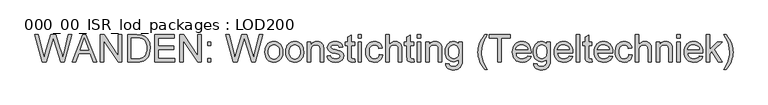
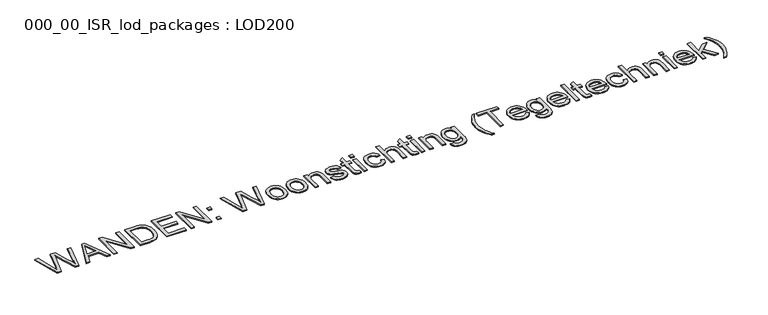
"""IFC4 building model written with IfcOpenShell, lengths in millimetres: proxy geometry, 000_00_ISR_lod_packages : LOD200."""

from ifc_helpers import new_model, si_unit, origin, origin_with_axes, place, context, project, spatial, polyline, outline, extrude, source, transform, mapped, element, save


def proxy_000_00_isr_lod_packages_lod200_f74cafc8(model_context):
    return source(origin(), model_context, "Body", "SweptSolid", [
        extrude(outline(polyline([(725.9109848, 500.0), (512.2424242, 1283.5151515), (613.2424242, 1283.5151515), (737.1969697, 768.5681818), (775.4545455, 609.6079545), (816.3901515, 750.2045455), (971.7159091, 1283.5151515), (1117.2859848, 1283.5151515), (1230.1458333, 896.9223485), (1278.4938447, 753.4564394), (1314.1212121, 609.6079545), (1351.2310606, 763.9772727), (1476.3333333, 1283.5151515), (1577.3333333, 1283.5151515), (1363.4734848, 500.0), (1258.8390152, 500.0), (1070.9943182, 1104.469697), (1044.7878788, 1188.8276515), (1015.3295455, 1087.2537879), (844.1268939, 500.0), (725.9109848, 500.0)])), origin_with_axes(), (0.0, 0.0, 1.0), 25.0),
        extrude(outline(polyline([(1584.0284091, 500.0), (1896.7840909, 1283.5151515), (1980.1856061, 1283.5151515), (2292.9412879, 500.0), (2189.4545455, 500.0), (2099.7405303, 744.8484848), (1777.0378788, 744.8484848), (1687.5151515, 500.0), (1584.0284091, 500.0)]), holes=[polyline([(1813.0, 842.7878788), (2063.969697, 842.7878788), (1993.3844697, 1035.4147727), (1938.4848485, 1185.5757576), (1889.7064394, 1052.2481061), (1813.0, 842.7878788)])]), origin_with_axes(), (0.0, 0.0, 1.0), 25.0),
        extrude(outline(polyline([(2397.5757576, 500.0), (2397.5757576, 1283.5151515), (2502.4015152, 1283.5151515), (2911.7575758, 662.7859848), (2911.7575758, 1283.5151515), (3009.6969697, 1283.5151515), (3009.6969697, 500.0), (2904.8712121, 500.0), (2495.5151515, 1120.9204545), (2495.5151515, 500.0), (2397.5757576, 500.0)])), origin_with_axes(), (0.0, 0.0, 1.0), 25.0),
        extrude(outline(polyline([(3181.0909091, 500.0), (3181.0909091, 1283.5151515), (3451.3806818, 1283.5151515), (3532.1519886, 1280.6936553), (3591.2121212, 1272.2291667), (3623.6593277, 1262.9158381), (3653.6676136, 1250.4701705), (3681.2369792, 1234.8921638), (3706.3674242, 1216.1818182), (3735.4073153, 1188.1581439), (3760.5497159, 1156.5), (3781.7946259, 1121.2073864), (3799.1420455, 1082.280303), (3812.6158854, 1040.0774148), (3822.2400568, 994.9573864), (3828.0145597, 946.9202178), (3829.9393939, 895.9659091), (3824.7267992, 811.8709754), (3809.0890152, 737.8664773), (3785.2736742, 674.8610322), (3755.5284091, 623.7632576), (3721.2878788, 583.4254261), (3683.9867424, 552.6998106), (3641.1621686, 529.912642), (3590.3513258, 513.3901515), (3531.4585701, 503.3475379), (3464.3882576, 500.0), (3181.0909091, 500.0)]), holes=[polyline([(3279.030303, 597.9393939), (3452.3371212, 597.9393939), (3524.0222538, 601.4782197), (3578.3958333, 612.094697), (3619.4270833, 629.1671402), (3651.0852273, 652.0738636), (3669.1559541, 671.7107599), (3685.1105587, 694.4680398), (3698.9490412, 720.3457031), (3710.6714015, 749.34375), (3720.0026634, 781.5219579), (3726.6678504, 816.9401042), (3732.0, 897.4962121), (3729.3877249, 954.3565341), (3721.5508996, 1004.2348485), (3708.4895241, 1047.1311553), (3690.2035985, 1083.0454545), (3668.1756037, 1112.7907197), (3643.8880208, 1137.1799242), (3617.3408499, 1156.2130682), (3588.5340909, 1169.8901515), (3563.6427557, 1176.7526042), (3532.1998106, 1181.6543561), (3449.6590909, 1185.5757576), (3279.030303, 1185.5757576), (3279.030303, 597.9393939)])]), origin_with_axes(), (0.0, 0.0, 1.0), 25.0),
        extrude(outline(polyline([(3964.6060606, 500.0), (3964.6060606, 1283.5151515), (4527.7575758, 1283.5151515), (4527.7575758, 1185.5757576), (4062.5454545, 1185.5757576), (4062.5454545, 952.969697), (4503.2727273, 952.969697), (4503.2727273, 855.030303), (4062.5454545, 855.030303), (4062.5454545, 597.9393939), (4540.0, 597.9393939), (4540.0, 500.0), (3964.6060606, 500.0)])), origin_with_axes(), (0.0, 0.0, 1.0), 25.0),
        extrude(outline(polyline([(4686.9090909, 500.0), (4686.9090909, 1283.5151515), (4791.7348485, 1283.5151515), (5201.0909091, 662.7859848), (5201.0909091, 1283.5151515), (5299.030303, 1283.5151515), (5299.030303, 500.0), (5194.2045455, 500.0), (4784.8484848, 1120.9204545), (4784.8484848, 500.0), (4686.9090909, 500.0)])), origin_with_axes(), (0.0, 0.0, 1.0), 25.0),
        extrude(outline(polyline([(5482.6666667, 500.0), (5482.6666667, 597.9393939), (5580.6060606, 597.9393939), (5580.6060606, 500.0), (5482.6666667, 500.0)])), origin_with_axes(), (0.0, 0.0, 1.0), 25.0),
        extrude(outline(polyline([(5482.6666667, 977.4545455), (5482.6666667, 1075.3939394), (5580.6060606, 1075.3939394), (5580.6060606, 977.4545455), (5482.6666667, 977.4545455)])), origin_with_axes(), (0.0, 0.0, 1.0), 25.0),
        extrude(outline(polyline([(6222.7594697, 500.0), (6009.0909091, 1283.5151515), (6110.0909091, 1283.5151515), (6234.0454545, 768.5681818), (6272.3030303, 609.6079545), (6313.2386364, 750.2045455), (6468.5643939, 1283.5151515), (6614.1344697, 1283.5151515), (6726.9943182, 896.9223485), (6775.3423295, 753.4564394), (6810.969697, 609.6079545), (6848.0795455, 763.9772727), (6973.1818182, 1283.5151515), (7074.1818182, 1283.5151515), (6860.3219697, 500.0), (6755.6875, 500.0), (6567.842803, 1104.469697), (6541.6363636, 1188.8276515), (6512.1780303, 1087.2537879), (6340.9753788, 500.0), (6222.7594697, 500.0)])), origin_with_axes(), (0.0, 0.0, 1.0), 25.0),
        extrude(outline(polyline([(7135.3939394, 787.6969697), (7140.6902225, 862.215554), (7147.3105765, 895.6102332), (7156.579072, 926.4285038), (7168.495709, 954.6703658), (7183.0604877, 980.3358191), (7200.2734079, 1003.4248639), (7220.1344697, 1023.9375), (7257.459517, 1051.8057528), (7298.6581439, 1071.7116477), (7343.7303504, 1083.6551847), (7392.6761364, 1087.6363636), (7446.7089844, 1082.7884115), (7495.5651042, 1068.2445549), (7539.2444957, 1044.004794), (7577.7471591, 1010.0691288), (7609.1721709, 967.5852865), (7631.618608, 917.7009943), (7645.0864702, 860.4162524), (7649.5757576, 795.7310606), (7647.5911458, 743.3062263), (7641.6373106, 696.7874053), (7631.7142519, 656.1745975), (7617.8219697, 621.467803), (7600.1338187, 591.4894058), (7578.8231534, 565.0617898), (7553.889974, 542.184955), (7525.3342803, 522.8589015), (7494.2679332, 507.5020715), (7461.8027936, 496.5329072), (7427.9388613, 489.9514086), (7392.6761364, 487.7575758), (7337.8542259, 492.5875947), (7288.5437973, 507.0776515), (7244.7448509, 531.2277462), (7206.4573864, 565.0378788), (7175.3671283, 607.9341856), (7153.1598011, 659.342803), (7139.8354048, 719.2637311), (7135.3939394, 787.6969697)]), holes=[polyline([(7233.3333333, 787.8882576), (7236.166785, 740.3831084), (7244.6671402, 699.2502367), (7258.8343987, 664.4896425), (7278.6685606, 636.1013258), (7302.7947443, 614.04942), (7329.8380682, 598.2980587), (7359.7985322, 588.847242), (7392.6761364, 585.6969697), (7425.3863636, 588.8651752), (7455.2272727, 598.3697917), (7482.1988636, 614.2108191), (7506.3011364, 636.3882576), (7526.1352983, 665.0575284), (7540.3025568, 700.374053), (7548.8029119, 742.3378314), (7551.6363636, 790.9488636), (7548.7849787, 836.9476207), (7540.2308239, 877.0044981), (7525.9738991, 911.1194957), (7506.0142045, 939.2926136), (7481.8222656, 961.3445194), (7454.868608, 977.0958807), (7425.1532315, 986.5466974), (7392.6761364, 989.6969697), (7359.7985322, 986.5586529), (7329.8380682, 977.1437027), (7302.7947443, 961.4521188), (7278.6685606, 939.4839015), (7258.8343987, 911.1792732), (7244.6671402, 876.4784564), (7236.166785, 835.3814512), (7233.3333333, 787.8882576)])]), origin_with_axes(), (0.0, 0.0, 1.0), 25.0),
        extrude(outline(polyline([(7735.2727273, 787.6969697), (7740.5690104, 862.215554), (7747.1893643, 895.6102332), (7756.4578598, 926.4285038), (7768.3744969, 954.6703658), (7782.9392756, 980.3358191), (7800.1521958, 1003.4248639), (7820.0132576, 1023.9375), (7857.3383049, 1051.8057528), (7898.5369318, 1071.7116477), (7943.6091383, 1083.6551847), (7992.5549242, 1087.6363636), (8046.5877723, 1082.7884115), (8095.443892, 1068.2445549), (8139.1232836, 1044.004794), (8177.625947, 1010.0691288), (8209.0509588, 967.5852865), (8231.4973958, 917.7009943), (8244.965258, 860.4162524), (8249.4545455, 795.7310606), (8247.4699337, 743.3062263), (8241.5160985, 696.7874053), (8231.5930398, 656.1745975), (8217.7007576, 621.467803), (8200.0126065, 591.4894058), (8178.7019413, 565.0617898), (8153.7687618, 542.184955), (8125.2130682, 522.8589015), (8094.1467211, 507.5020715), (8061.6815814, 496.5329072), (8027.8176491, 489.9514086), (7992.5549242, 487.7575758), (7937.7330137, 492.5875947), (7888.4225852, 507.0776515), (7844.6236387, 531.2277462), (7806.3361742, 565.0378788), (7775.2459162, 607.9341856), (7753.038589, 659.342803), (7739.7141927, 719.2637311), (7735.2727273, 787.6969697)]), holes=[polyline([(7833.2121212, 787.8882576), (7836.0455729, 740.3831084), (7844.545928, 699.2502367), (7858.7131866, 664.4896425), (7878.5473485, 636.1013258), (7902.6735322, 614.04942), (7929.7168561, 598.2980587), (7959.6773201, 588.847242), (7992.5549242, 585.6969697), (8025.2651515, 588.8651752), (8055.1060606, 598.3697917), (8082.0776515, 614.2108191), (8106.1799242, 636.3882576), (8126.0140862, 665.0575284), (8140.1813447, 700.374053), (8148.6816998, 742.3378314), (8151.5151515, 790.9488636), (8148.6637666, 836.9476207), (8140.1096117, 877.0044981), (8125.852687, 911.1194957), (8105.8929924, 939.2926136), (8081.7010535, 961.3445194), (8054.7473958, 977.0958807), (8025.0320194, 986.5466974), (7992.5549242, 989.6969697), (7959.6773201, 986.5586529), (7929.7168561, 977.1437027), (7902.6735322, 961.4521188), (7878.5473485, 939.4839015), (7858.7131866, 911.1792732), (7844.545928, 876.4784564), (7836.0455729, 835.3814512), (7833.2121212, 787.8882576)])]), origin_with_axes(), (0.0, 0.0, 1.0), 25.0),
        extrude(outline(polyline([(8359.6363636, 500.0), (8359.6363636, 1075.3939394), (8457.5757576, 1075.3939394), (8457.5757576, 995.0530303), (8491.601089, 1035.5582386), (8511.1782079, 1051.4709991), (8532.4649621, 1064.4905303), (8555.4613518, 1074.6168324), (8580.1673769, 1081.8499053), (8634.7083333, 1087.6363636), (8682.9846117, 1082.9737216), (8727.1960227, 1068.9857955), (8764.0667614, 1047.4180871), (8790.3210227, 1020.0160985), (8808.1347064, 986.8515625), (8819.6837121, 947.9962121), (8823.5572917, 910.8385417), (8824.8484848, 853.3087121), (8824.8484848, 500.0), (8726.9090909, 500.0), (8726.9090909, 840.1098485), (8724.0875947, 890.7533144), (8715.6231061, 926.7632576), (8700.009233, 952.5632102), (8675.7395833, 972.5767045), (8644.631392, 985.4169034), (8608.5018939, 989.6969697), (8578.7626065, 987.2939157), (8551.1394413, 980.0847538), (8525.6323982, 968.0694839), (8502.2414773, 951.2481061), (8482.7002249, 927.7077415), (8468.7421875, 895.5355114), (8460.3673651, 854.7314157), (8457.5757576, 805.2954545), (8457.5757576, 500.0), (8359.6363636, 500.0)])), origin_with_axes(), (0.0, 0.0, 1.0), 25.0),
        extrude(outline(polyline([(8922.7878788, 671.3939394), (9020.7272727, 683.6363636), (9026.6452415, 661.3035038), (9036.1737689, 641.7443182), (9049.3128551, 624.9588068), (9066.0625, 610.9469697), (9086.4705256, 599.9000947), (9110.5847538, 592.0094697), (9138.4051847, 587.2750947), (9169.9318182, 585.6969697), (9201.4225852, 587.1435843), (9228.561553, 591.483428), (9251.3487216, 598.7165009), (9269.7840909, 608.842803), (9284.0111269, 620.9178504), (9294.1732955, 633.9971591), (9300.2705966, 648.0807292), (9302.3030303, 663.1685606), (9300.2586411, 676.3913352), (9294.1254735, 688.1316288), (9283.9035275, 698.3894413), (9269.592803, 707.1647727), (9232.9133523, 719.5984848), (9168.7840909, 735.092803), (9079.4048295, 760.9405777), (9021.3011364, 783.0104167), (8983.976089, 807.0887784), (8969.1692116, 822.0510772), (8956.9327652, 838.9621212), (8940.5059186, 876.5980114), (8935.030303, 917.9640152), (8939.4299242, 955.9107481), (8952.6287879, 990.9403409), (8973.4313447, 1021.6659564), (9000.6420455, 1046.7007576), (9027.6853693, 1062.4580966), (9062.90625, 1075.6808712), (9103.6266572, 1084.6474905), (9147.1685606, 1087.6363636), (9210.9152462, 1082.8302557), (9266.3409091, 1068.4119318), (9310.9109848, 1045.7921402), (9328.1747159, 1031.9357244), (9342.0909091, 1016.3816288), (9362.75, 978.0044981), (9375.7575758, 928.4848485), (9277.8181818, 916.2424242), (9273.149562, 932.6035156), (9265.4562027, 947.0636837), (9254.7381037, 959.6229285), (9240.9952652, 970.28125), (9224.1679096, 978.7756274), (9204.1962595, 984.8430398), (9154.8200758, 989.6969697), (9098.5814394, 985.0582386), (9077.4919508, 979.2598248), (9061.0890152, 971.1420455), (9039.9995265, 951.0568182), (9034.7271544, 939.8664773), (9032.969697, 927.9109848), (9035.8868371, 912.8470644), (9044.6382576, 899.4090909), (9059.6065341, 887.4057765), (9081.1742424, 877.7935606), (9165.532197, 856.9431818), (9252.0660511, 831.358428), (9309.2850379, 810.842803), (9347.2556818, 788.796875), (9376.0445076, 758.6212121), (9386.6310961, 740.4608191), (9394.1929451, 720.2201705), (9398.7300545, 697.8992661), (9400.2424242, 673.4981061), (9398.4670336, 648.9893466), (9393.1408617, 625.1979167), (9384.2639086, 602.1238163), (9371.8361742, 579.7670455), (9356.060902, 559.0182884), (9337.1413352, 540.7682292), (9315.077474, 525.0168679), (9289.8693182, 511.7642045), (9262.2043087, 501.2613045), (9232.7698864, 493.759233), (9168.592803, 487.7575758), (9115.8810369, 490.6508049), (9069.8404356, 499.3304924), (9030.4709991, 513.7966383), (8997.7727273, 534.0492424), (8971.0641572, 559.992661), (8949.6638258, 591.53125), (8933.571733, 628.6650095), (8922.7878788, 671.3939394)])), origin_with_axes(), (0.0, 0.0, 1.0), 25.0),
        extrude(outline(polyline([(9718.5454545, 581.6799242), (9730.7878788, 497.1306818), (9692.0042614, 490.1008523), (9657.5246212, 487.7575758), (9610.515625, 491.8224432), (9575.4621212, 504.0170455), (9550.6903409, 522.8110795), (9534.5265152, 546.6742424), (9525.6316288, 587.6576705), (9522.6666667, 657.8125), (9522.6666667, 977.4545455), (9449.2121212, 977.4545455), (9449.2121212, 1075.3939394), (9522.6666667, 1075.3939394), (9522.6666667, 1215.2253788), (9620.6060606, 1272.8030303), (9620.6060606, 1075.3939394), (9718.5454545, 1075.3939394), (9718.5454545, 977.4545455), (9620.6060606, 977.4545455), (9620.6060606, 660.6818182), (9621.8972538, 628.4498106), (9625.7708333, 610.1818182), (9632.537642, 600.0674716), (9642.5085227, 592.2964015), (9656.6399148, 587.3468277), (9675.8882576, 585.6969697), (9718.5454545, 581.6799242)])), origin_with_axes(), (0.0, 0.0, 1.0), 25.0),
        extrude(outline(polyline([(9816.4848485, 500.0), (9816.4848485, 1075.3939394), (9914.4242424, 1075.3939394), (9914.4242424, 500.0), (9816.4848485, 500.0)])), origin_with_axes(), (0.0, 0.0, 1.0), 25.0),
        extrude(outline(polyline([(9816.4848485, 1185.5757576), (9816.4848485, 1283.5151515), (9914.4242424, 1283.5151515), (9914.4242424, 1185.5757576), (9816.4848485, 1185.5757576)])), origin_with_axes(), (0.0, 0.0, 1.0), 25.0),
        extrude(outline(polyline([(10428.6060606, 708.1212121), (10526.5454545, 695.8787879), (10515.8931108, 649.6648319), (10499.2391098, 608.7710701), (10476.5834517, 573.1975024), (10447.9261364, 542.9441288), (10414.4746686, 518.8000118), (10377.436553, 501.554214), (10336.8117898, 491.2067353), (10292.6003788, 487.7575758), (10237.6708688, 492.5696615), (10188.4202178, 507.0059186), (10144.8484257, 531.0663471), (10106.9554924, 564.750947), (10076.2836766, 607.4260772), (10054.3752367, 658.4580966), (10041.2301728, 717.8470052), (10036.8484848, 785.592803), (10038.7195194, 830.6231652), (10044.3326231, 872.7483428), (10053.6877959, 911.9683357), (10066.7850379, 948.2831439), (10083.7140152, 980.9634825), (10104.5643939, 1009.2800663), (10129.3361742, 1033.2328954), (10158.0293561, 1052.8219697), (10189.3467685, 1068.053267), (10221.9912405, 1078.9327652), (10255.9627723, 1085.460464), (10291.2613636, 1087.6363636), (10334.7136009, 1084.6474905), (10374.0172822, 1075.6808712), (10409.1724077, 1060.7365057), (10440.1789773, 1039.8143939), (10466.5109493, 1013.3927557), (10487.6422822, 981.9498106), (10503.5729759, 945.4855587), (10514.3030303, 904.0), (10416.3636364, 891.7575758), (10408.718099, 914.6344105), (10398.5977746, 934.4865057), (10386.0026634, 951.3138613), (10370.9327652, 965.1164773), (10353.7706558, 975.8704427), (10334.898911, 983.5518466), (10314.3175308, 988.1606889), (10292.0265152, 989.6969697), (10258.748402, 986.6722301), (10228.7341383, 977.5980114), (10201.983724, 962.4743134), (10178.4971591, 941.3011364), (10159.374349, 913.5883049), (10145.7151989, 878.8456439), (10137.5197088, 837.0731534), (10134.7878788, 788.2708333), (10137.4599313, 738.7332505), (10145.476089, 696.4765625), (10158.8363518, 661.5007694), (10177.5407197, 633.8058712), (10200.5610204, 612.7582268), (10226.8690814, 597.7241951), (10256.4649029, 588.703776), (10289.3484848, 585.6969697), (10315.8478338, 587.573982), (10340.0636837, 593.2050189), (10361.9960346, 602.5900805), (10381.6448864, 615.7291667), (10398.4602865, 632.7657434), (10411.8922822, 653.8432765), (10421.9408736, 678.9617661), (10428.6060606, 708.1212121)])), origin_with_axes(), (0.0, 0.0, 1.0), 25.0),
        extrude(outline(polyline([(10612.2424242, 500.0), (10612.2424242, 1283.5151515), (10710.1818182, 1283.5151515), (10710.1818182, 995.4356061), (10746.1558949, 1035.7734375), (10786.5535038, 1064.5861742), (10831.3746449, 1081.8738163), (10880.6193182, 1087.6363636), (10911.2373343, 1086.0642164), (10939.7750947, 1081.3477746), (10966.2325994, 1073.4870384), (10990.6098485, 1062.4820076), (11012.2851563, 1048.7033026), (11030.6368371, 1032.5215436), (11045.6648911, 1013.9367306), (11057.3693182, 992.9488636), (11066.1566051, 968.2607718), (11072.4332386, 938.5752841), (11077.4545455, 864.2121212), (11077.4545455, 500.0), (10979.5151515, 500.0), (10979.5151515, 854.0738636), (10977.5664063, 887.1427557), (10971.7201705, 915.3816288), (10961.9764441, 938.790483), (10948.3352273, 957.3693182), (10931.1193182, 971.5126657), (10910.6515152, 981.6150568), (10886.9318182, 987.6764915), (10859.9602273, 989.6969697), (10818.5703125, 984.2452652), (10779.7149621, 967.8901515), (10762.2718987, 956.0183475), (10747.5307765, 942.2097538), (10735.4915956, 926.4643703), (10726.1543561, 908.782197), (10714.1749527, 864.3555871), (10710.1818182, 805.6780303), (10710.1818182, 500.0), (10612.2424242, 500.0)])), origin_with_axes(), (0.0, 0.0, 1.0), 25.0),
        extrude(outline(polyline([(11420.2424242, 581.6799242), (11432.4848485, 497.1306818), (11393.7012311, 490.1008523), (11359.2215909, 487.7575758), (11312.2125947, 491.8224432), (11277.1590909, 504.0170455), (11252.3873106, 522.8110795), (11236.2234848, 546.6742424), (11227.3285985, 587.6576705), (11224.3636364, 657.8125), (11224.3636364, 977.4545455), (11150.9090909, 977.4545455), (11150.9090909, 1075.3939394), (11224.3636364, 1075.3939394), (11224.3636364, 1215.2253788), (11322.3030303, 1272.8030303), (11322.3030303, 1075.3939394), (11420.2424242, 1075.3939394), (11420.2424242, 977.4545455), (11322.3030303, 977.4545455), (11322.3030303, 660.6818182), (11323.5942235, 628.4498106), (11327.467803, 610.1818182), (11334.2346117, 600.0674716), (11344.2054924, 592.2964015), (11358.3368845, 587.3468277), (11377.5852273, 585.6969697), (11420.2424242, 581.6799242)])), origin_with_axes(), (0.0, 0.0, 1.0), 25.0),
        extrude(outline(polyline([(11518.1818182, 500.0), (11518.1818182, 1075.3939394), (11616.1212121, 1075.3939394), (11616.1212121, 500.0), (11518.1818182, 500.0)])), origin_with_axes(), (0.0, 0.0, 1.0), 25.0),
        extrude(outline(polyline([(11518.1818182, 1185.5757576), (11518.1818182, 1283.5151515), (11616.1212121, 1283.5151515), (11616.1212121, 1185.5757576), (11518.1818182, 1185.5757576)])), origin_with_axes(), (0.0, 0.0, 1.0), 25.0),
        extrude(outline(polyline([(11763.030303, 500.0), (11763.030303, 1075.3939394), (11860.969697, 1075.3939394), (11860.969697, 995.0530303), (11894.9950284, 1035.5582386), (11914.5721473, 1051.4709991), (11935.8589015, 1064.4905303), (11958.8552912, 1074.6168324), (11983.5613163, 1081.8499053), (12038.1022727, 1087.6363636), (12086.3785511, 1082.9737216), (12130.5899621, 1068.9857955), (12167.4607008, 1047.4180871), (12193.7149621, 1020.0160985), (12211.5286458, 986.8515625), (12223.0776515, 947.9962121), (12226.9512311, 910.8385417), (12228.2424242, 853.3087121), (12228.2424242, 500.0), (12130.3030303, 500.0), (12130.3030303, 840.1098485), (12127.4815341, 890.7533144), (12119.0170455, 926.7632576), (12103.4031723, 952.5632102), (12079.1335227, 972.5767045), (12048.0253314, 985.4169034), (12011.8958333, 989.6969697), (11982.1565459, 987.2939157), (11954.5333807, 980.0847538), (11929.0263376, 968.0694839), (11905.6354167, 951.2481061), (11886.0941643, 927.7077415), (11872.1361269, 895.5355114), (11863.7613045, 854.7314157), (11860.969697, 805.2954545), (11860.969697, 500.0), (11763.030303, 500.0)])), origin_with_axes(), (0.0, 0.0, 1.0), 25.0),
        extrude(outline(polyline([(12338.4242424, 451.030303), (12436.3636364, 438.7878788), (12440.5002367, 422.2892992), (12447.1714015, 408.1818182), (12456.3771307, 396.4654356), (12468.1174242, 387.1401515), (12487.1147017, 377.5996686), (12509.2921402, 370.7850379), (12563.1875, 365.3333333), (12593.7696496, 366.8755919), (12620.6695076, 371.5023674), (12643.8870739, 379.21366), (12663.4223485, 390.0094697), (12679.6818182, 403.5909091), (12693.0719697, 419.6590909), (12703.592803, 438.2140152), (12711.2443182, 459.2556818), (12716.5525568, 501.3868371), (12717.9393939, 573.4545455), (12685.3487216, 541.3181818), (12648.9801136, 518.3636364), (12608.8335701, 504.5909091), (12564.9090909, 500.0), (12511.2109967, 505.3441051), (12463.9330019, 521.3764205), (12423.0751065, 548.096946), (12388.6373106, 585.5056818), (12361.3130327, 630.3866004), (12341.7956913, 679.5236742), (12330.0852865, 732.9169034), (12326.1818182, 790.5662879), (12327.9332978, 830.8981416), (12333.1877367, 869.6399148), (12341.9451349, 906.7916075), (12354.2054924, 942.3532197), (12369.7834991, 975.1411577), (12388.4938447, 1003.9718277), (12410.3365294, 1028.8452296), (12435.311553, 1049.7613636), (12463.0184067, 1066.3316761), (12493.0565814, 1078.1676136), (12525.4260772, 1085.2691761), (12560.1268939, 1087.6363636), (12605.9283854, 1082.280303), (12647.4976326, 1066.2121212), (12684.8346354, 1039.4318182), (12717.9393939, 1001.9393939), (12717.9393939, 1075.3939394), (12815.8787879, 1075.3939394), (12815.8787879, 578.6193182), (12814.2050189, 516.3730469), (12809.1837121, 463.9183239), (12800.8148674, 421.2551491), (12789.0984848, 388.3835227), (12773.7536103, 361.8722183), (12754.4992898, 338.2900095), (12731.3355232, 317.6368963), (12704.2623106, 299.9128788), (12673.5546283, 285.6858428), (12639.4874527, 275.5236742), (12602.0607836, 269.4263731), (12561.2746212, 267.3939394), (12513.2912524, 270.2572798), (12470.149858, 278.8473011), (12431.850438, 293.1640033), (12398.3929924, 313.2073864), (12371.3676018, 339.0013613), (12352.3643466, 370.569839), (12341.3832268, 407.9128196), (12338.4242424, 451.030303)]), holes=[polyline([(12424.1212121, 797.2613636), (12426.7334872, 748.8356416), (12434.5703125, 707.4277936), (12447.631688, 673.0378196), (12465.9176136, 645.6657197), (12488.1488518, 624.7854522), (12513.0461648, 609.8709754), (12540.6095526, 600.9222893), (12570.8390152, 597.9393939), (12600.7695904, 600.9043561), (12628.2014678, 609.7992424), (12653.1346473, 624.624053), (12675.5691288, 645.3787879), (12694.1061198, 672.4818892), (12707.3468277, 706.3517992), (12715.2912524, 746.988518), (12717.9393939, 794.3920455), (12715.2135417, 839.8169389), (12707.0359848, 879.2999527), (12693.4067235, 912.8410866), (12674.3257576, 940.4403409), (12651.4070786, 961.990116), (12626.264678, 977.3828125), (12598.8985559, 986.6184304), (12569.3087121, 989.6969697), (12540.2150213, 986.6662524), (12513.3809186, 977.5741004), (12488.8064039, 962.4205137), (12466.4914773, 941.2054924), (12447.9544863, 914.0246804), (12434.7137784, 880.9737216), (12426.7693537, 842.052616), (12424.1212121, 797.2613636)])]), origin_with_axes(), (0.0, 0.0, 1.0), 25.0),
        extrude(outline(polyline([(13464.7272727, 279.6363636), (13425.1904593, 330.7939157), (13388.8338068, 386.1358902), (13355.6573153, 445.6622869), (13325.6609848, 509.3731061), (13300.8055161, 575.773911), (13283.0516098, 643.3702652), (13272.3992661, 712.1621686), (13268.8484848, 782.1496212), (13271.5026042, 843.6606297), (13279.4649621, 903.8565341), (13292.7355587, 962.7373343), (13311.3143939, 1020.3030303), (13339.553267, 1086.3212595), (13374.5350379, 1152.1960227), (13416.2597064, 1217.9273201), (13464.7272727, 1283.5151515), (13538.1818182, 1283.5151515), (13480.5563447, 1190.4057765), (13446.5549242, 1128.3806818), (13415.2793561, 1054.7348485), (13391.4640152, 978.0284091), (13372.9569129, 880.0411932), (13366.7878788, 781.5757576), (13369.4659091, 718.7914891), (13377.5, 656.0191761), (13390.8901515, 593.2588187), (13409.6363636, 530.5104167), (13433.7386364, 467.7739702), (13463.1969697, 405.0494792), (13498.0113636, 342.3369437), (13538.1818182, 279.6363636), (13464.7272727, 279.6363636)])), origin_with_axes(), (0.0, 0.0, 1.0), 25.0),
        extrude(outline(polyline([(13844.2424242, 500.0), (13844.2424242, 1185.5757576), (13587.1515152, 1185.5757576), (13587.1515152, 1283.5151515), (14199.2727273, 1283.5151515), (14199.2727273, 1185.5757576), (13942.1818182, 1185.5757576), (13942.1818182, 500.0), (13844.2424242, 500.0)])), origin_with_axes(), (0.0, 0.0, 1.0), 25.0),
        extrude(outline(polyline([(14700.0643939, 671.3939394), (14796.0909091, 659.1515152), (14781.3677202, 620.690696), (14761.491714, 586.796875), (14736.4628906, 557.4700521), (14706.28125, 532.7102273), (14671.2576349, 513.0434422), (14631.7028883, 498.9957386), (14587.6170099, 490.5671165), (14539.0, 487.7575758), (14478.230232, 492.6055279), (14424.0838068, 507.1493845), (14376.5607244, 531.3891454), (14335.6609848, 565.3248106), (14302.7714252, 608.0118963), (14279.2788826, 658.5059186), (14265.183357, 716.8068774), (14260.4848485, 782.9147727), (14265.231179, 851.2643229), (14279.4701705, 911.5080492), (14303.2018229, 963.6459517), (14336.4261364, 1007.6780303), (14377.2182765, 1042.6598011), (14423.6534091, 1067.6467803), (14475.7315341, 1082.6389678), (14533.4526515, 1087.6363636), (14589.3146899, 1082.6509233), (14639.8326231, 1067.6946023), (14685.0064512, 1042.7674006), (14724.8361742, 1007.8693182), (14757.3491359, 963.9328835), (14780.5726799, 911.890625), (14794.5068063, 851.7425426), (14799.1515152, 783.4886364), (14798.5776515, 757.0909091), (14358.4242424, 757.0909091), (14364.0971236, 718.0084044), (14375.3771307, 683.7798295), (14392.2642637, 654.4051847), (14414.7585227, 629.8844697), (14441.6165365, 610.5524384), (14471.5949337, 596.7438447), (14504.6937145, 588.4586884), (14540.9128788, 585.6969697), (14593.0388258, 590.8139205), (14636.9393939, 606.1647727), (14655.805161, 617.9170218), (14672.6145833, 632.7059659), (14687.367661, 650.5316051), (14700.0643939, 671.3939394)]), holes=[polyline([(14358.4242424, 855.030303), (14701.2121212, 855.030303), (14696.1788589, 882.7431345), (14687.9654356, 906.7736742), (14676.5718513, 927.1219223), (14661.9981061, 943.7878788), (14635.289536, 963.8731061), (14604.8986742, 978.219697), (14570.8255208, 986.8276515), (14533.0700758, 989.6969697), (14498.6322798, 987.4074929), (14467.0518466, 980.5390625), (14438.328776, 969.0916785), (14412.4630682, 953.0653409), (14390.7578717, 933.2012902), (14374.5163352, 910.240767), (14363.7384588, 884.1837713), (14358.4242424, 855.030303)])]), origin_with_axes(), (0.0, 0.0, 1.0), 25.0),
        extrude(outline(polyline([(14872.6060606, 451.030303), (14970.5454545, 438.7878788), (14974.6820549, 422.2892992), (14981.3532197, 408.1818182), (14990.5589489, 396.4654356), (15002.2992424, 387.1401515), (15021.2965199, 377.5996686), (15043.4739583, 370.7850379), (15097.3693182, 365.3333333), (15127.9514678, 366.8755919), (15154.8513258, 371.5023674), (15178.068892, 379.21366), (15197.6041667, 390.0094697), (15213.8636364, 403.5909091), (15227.2537879, 419.6590909), (15237.7746212, 438.2140152), (15245.4261364, 459.2556818), (15250.734375, 501.3868371), (15252.1212121, 573.4545455), (15219.5305398, 541.3181818), (15183.1619318, 518.3636364), (15143.0153883, 504.5909091), (15099.0909091, 500.0), (15045.3928149, 505.3441051), (14998.1148201, 521.3764205), (14957.2569247, 548.096946), (14922.8191288, 585.5056818), (14895.4948509, 630.3866004), (14875.9775095, 679.5236742), (14864.2671046, 732.9169034), (14860.3636364, 790.5662879), (14862.115116, 830.8981416), (14867.3695549, 869.6399148), (14876.1269531, 906.7916075), (14888.3873106, 942.3532197), (14903.9653172, 975.1411577), (14922.6756629, 1003.9718277), (14944.5183475, 1028.8452296), (14969.4933712, 1049.7613636), (14997.2002249, 1066.3316761), (15027.2383996, 1078.1676136), (15059.6078954, 1085.2691761), (15094.3087121, 1087.6363636), (15140.1102036, 1082.280303), (15181.6794508, 1066.2121212), (15219.0164536, 1039.4318182), (15252.1212121, 1001.9393939), (15252.1212121, 1075.3939394), (15350.0606061, 1075.3939394), (15350.0606061, 578.6193182), (15348.3868371, 516.3730469), (15343.3655303, 463.9183239), (15334.9966856, 421.2551491), (15323.280303, 388.3835227), (15307.9354285, 361.8722183), (15288.681108, 338.2900095), (15265.5173414, 317.6368963), (15238.4441288, 299.9128788), (15207.7364465, 285.6858428), (15173.6692708, 275.5236742), (15136.2426018, 269.4263731), (15095.4564394, 267.3939394), (15047.4730705, 270.2572798), (15004.3316761, 278.8473011), (14966.0322562, 293.1640033), (14932.5748106, 313.2073864), (14905.54942, 339.0013613), (14886.5461648, 370.569839), (14875.565045, 407.9128196), (14872.6060606, 451.030303)]), holes=[polyline([(14958.3030303, 797.2613636), (14960.9153054, 748.8356416), (14968.7521307, 707.4277936), (14981.8135062, 673.0378196), (15000.0994318, 645.6657197), (15022.33067, 624.7854522), (15047.227983, 609.8709754), (15074.7913707, 600.9222893), (15105.0208333, 597.9393939), (15134.9514086, 600.9043561), (15162.383286, 609.7992424), (15187.3164654, 624.624053), (15209.750947, 645.3787879), (15228.287938, 672.4818892), (15241.5286458, 706.3517992), (15249.4730705, 746.988518), (15252.1212121, 794.3920455), (15249.3953598, 839.8169389), (15241.217803, 879.2999527), (15227.5885417, 912.8410866), (15208.5075758, 940.4403409), (15185.5888968, 961.990116), (15160.4464962, 977.3828125), (15133.0803741, 986.6184304), (15103.4905303, 989.6969697), (15074.3968395, 986.6662524), (15047.5627367, 977.5741004), (15022.9882221, 962.4205137), (15000.6732955, 941.2054924), (14982.1363045, 914.0246804), (14968.8955966, 880.9737216), (14960.9511719, 842.052616), (14958.3030303, 797.2613636)])]), origin_with_axes(), (0.0, 0.0, 1.0), 25.0),
        extrude(outline(polyline([(15899.8219697, 671.3939394), (15995.8484848, 659.1515152), (15981.1252959, 620.690696), (15961.2492898, 586.796875), (15936.2204664, 557.4700521), (15906.0388258, 532.7102273), (15871.0152107, 513.0434422), (15831.460464, 498.9957386), (15787.3745857, 490.5671165), (15738.7575758, 487.7575758), (15677.9878078, 492.6055279), (15623.8413826, 507.1493845), (15576.3183002, 531.3891454), (15535.4185606, 565.3248106), (15502.5290009, 608.0118963), (15479.0364583, 658.5059186), (15464.9409328, 716.8068774), (15460.2424242, 782.9147727), (15464.9887547, 851.2643229), (15479.2277462, 911.5080492), (15502.9593987, 963.6459517), (15536.1837121, 1007.6780303), (15576.9758523, 1042.6598011), (15623.4109848, 1067.6467803), (15675.4891098, 1082.6389678), (15733.2102273, 1087.6363636), (15789.0722656, 1082.6509233), (15839.5901989, 1067.6946023), (15884.764027, 1042.7674006), (15924.59375, 1007.8693182), (15957.1067116, 963.9328835), (15980.3302557, 911.890625), (15994.2643821, 851.7425426), (15998.9090909, 783.4886364), (15998.3352273, 757.0909091), (15558.1818182, 757.0909091), (15563.8546993, 718.0084044), (15575.1347064, 683.7798295), (15592.0218395, 654.4051847), (15614.5160985, 629.8844697), (15641.3741122, 610.5524384), (15671.3525095, 596.7438447), (15704.4512902, 588.4586884), (15740.6704545, 585.6969697), (15792.7964015, 590.8139205), (15836.6969697, 606.1647727), (15855.5627367, 617.9170218), (15872.3721591, 632.7059659), (15887.1252367, 650.5316051), (15899.8219697, 671.3939394)]), holes=[polyline([(15558.1818182, 855.030303), (15900.969697, 855.030303), (15895.9364347, 882.7431345), (15887.7230114, 906.7736742), (15876.3294271, 927.1219223), (15861.7556818, 943.7878788), (15835.0471117, 963.8731061), (15804.65625, 978.219697), (15770.5830966, 986.8276515), (15732.8276515, 989.6969697), (15698.3898556, 987.4074929), (15666.8094223, 980.5390625), (15638.0863518, 969.0916785), (15612.2206439, 953.0653409), (15590.5154474, 933.2012902), (15574.273911, 910.240767), (15563.4960346, 884.1837713), (15558.1818182, 855.030303)])]), origin_with_axes(), (0.0, 0.0, 1.0), 25.0),
        extrude(outline(polyline([(16096.8484848, 500.0), (16096.8484848, 1283.5151515), (16194.7878788, 1283.5151515), (16194.7878788, 500.0), (16096.8484848, 500.0)])), origin_with_axes(), (0.0, 0.0, 1.0), 25.0),
        extrude(outline(polyline([(16549.8181818, 581.6799242), (16562.0606061, 497.1306818), (16523.2769886, 490.1008523), (16488.7973485, 487.7575758), (16441.7883523, 491.8224432), (16406.7348485, 504.0170455), (16381.9630682, 522.8110795), (16365.7992424, 546.6742424), (16356.9043561, 587.6576705), (16353.9393939, 657.8125), (16353.9393939, 977.4545455), (16280.4848485, 977.4545455), (16280.4848485, 1075.3939394), (16353.9393939, 1075.3939394), (16353.9393939, 1215.2253788), (16451.8787879, 1272.8030303), (16451.8787879, 1075.3939394), (16549.8181818, 1075.3939394), (16549.8181818, 977.4545455), (16451.8787879, 977.4545455), (16451.8787879, 660.6818182), (16453.1699811, 628.4498106), (16457.0435606, 610.1818182), (16463.8103693, 600.0674716), (16473.78125, 592.2964015), (16487.912642, 587.3468277), (16507.1609848, 585.6969697), (16549.8181818, 581.6799242)])), origin_with_axes(), (0.0, 0.0, 1.0), 25.0),
        extrude(outline(polyline([(17050.6098485, 671.3939394), (17146.6363636, 659.1515152), (17131.9131747, 620.690696), (17112.0371686, 586.796875), (17087.0083452, 557.4700521), (17056.8267045, 532.7102273), (17021.8030895, 513.0434422), (16982.2483428, 498.9957386), (16938.1624645, 490.5671165), (16889.5454545, 487.7575758), (16828.7756866, 492.6055279), (16774.6292614, 507.1493845), (16727.106179, 531.3891454), (16686.2064394, 565.3248106), (16653.3168797, 608.0118963), (16629.8243371, 658.5059186), (16615.7288116, 716.8068774), (16611.030303, 782.9147727), (16615.7766335, 851.2643229), (16630.015625, 911.5080492), (16653.7472775, 963.6459517), (16686.9715909, 1007.6780303), (16727.7637311, 1042.6598011), (16774.1988636, 1067.6467803), (16826.2769886, 1082.6389678), (16883.9981061, 1087.6363636), (16939.8601444, 1082.6509233), (16990.3780777, 1067.6946023), (17035.5519058, 1042.7674006), (17075.3816288, 1007.8693182), (17107.8945904, 963.9328835), (17131.1181345, 911.890625), (17145.0522609, 851.7425426), (17149.6969697, 783.4886364), (17149.1231061, 757.0909091), (16708.969697, 757.0909091), (16714.6425781, 718.0084044), (16725.9225852, 683.7798295), (16742.8097183, 654.4051847), (16765.3039773, 629.8844697), (16792.161991, 610.5524384), (16822.1403883, 596.7438447), (16855.239169, 588.4586884), (16891.4583333, 585.6969697), (16943.5842803, 590.8139205), (16987.4848485, 606.1647727), (17006.3506155, 617.9170218), (17023.1600379, 632.7059659), (17037.9131155, 650.5316051), (17050.6098485, 671.3939394)]), holes=[polyline([(16708.969697, 855.030303), (17051.7575758, 855.030303), (17046.7243134, 882.7431345), (17038.5108902, 906.7736742), (17027.1173059, 927.1219223), (17012.5435606, 943.7878788), (16985.8349905, 963.8731061), (16955.4441288, 978.219697), (16921.3709754, 986.8276515), (16883.6155303, 989.6969697), (16849.1777344, 987.4074929), (16817.5973011, 980.5390625), (16788.8742306, 969.0916785), (16763.0085227, 953.0653409), (16741.3033262, 933.2012902), (16725.0617898, 910.240767), (16714.2839134, 884.1837713), (16708.969697, 855.030303)])]), origin_with_axes(), (0.0, 0.0, 1.0), 25.0),
        extrude(outline(polyline([(17614.9090909, 708.1212121), (17712.8484848, 695.8787879), (17702.1961411, 649.6648319), (17685.5421402, 608.7710701), (17662.886482, 573.1975024), (17634.2291667, 542.9441288), (17600.7776989, 518.8000118), (17563.7395833, 501.554214), (17523.1148201, 491.2067353), (17478.9034091, 487.7575758), (17423.9738991, 492.5696615), (17374.7232481, 507.0059186), (17331.151456, 531.0663471), (17293.2585227, 564.750947), (17262.5867069, 607.4260772), (17240.678267, 658.4580966), (17227.5332031, 717.8470052), (17223.1515152, 785.592803), (17225.0225497, 830.6231652), (17230.6356534, 872.7483428), (17239.9908262, 911.9683357), (17253.0880682, 948.2831439), (17270.0170455, 980.9634825), (17290.8674242, 1009.2800663), (17315.6392045, 1033.2328954), (17344.3323864, 1052.8219697), (17375.6497988, 1068.053267), (17408.2942708, 1078.9327652), (17442.2658026, 1085.460464), (17477.5643939, 1087.6363636), (17521.0166312, 1084.6474905), (17560.3203125, 1075.6808712), (17595.475438, 1060.7365057), (17626.4820076, 1039.8143939), (17652.8139796, 1013.3927557), (17673.9453125, 981.9498106), (17689.8760062, 945.4855587), (17700.6060606, 904.0), (17602.6666667, 891.7575758), (17595.0211293, 914.6344105), (17584.9008049, 934.4865057), (17572.3056937, 951.3138613), (17557.2357955, 965.1164773), (17540.0736861, 975.8704427), (17521.2019413, 983.5518466), (17500.6205611, 988.1606889), (17478.3295455, 989.6969697), (17445.0514323, 986.6722301), (17415.0371686, 977.5980114), (17388.2867543, 962.4743134), (17364.8001894, 941.3011364), (17345.6773793, 913.5883049), (17332.0182292, 878.8456439), (17323.8227391, 837.0731534), (17321.0909091, 788.2708333), (17323.7629616, 738.7332505), (17331.7791193, 696.4765625), (17345.1393821, 661.5007694), (17363.84375, 633.8058712), (17386.8640507, 612.7582268), (17413.1721117, 597.7241951), (17442.7679332, 588.703776), (17475.6515152, 585.6969697), (17502.1508641, 587.573982), (17526.366714, 593.2050189), (17548.2990649, 602.5900805), (17567.9479167, 615.7291667), (17584.7633168, 632.7657434), (17598.1953125, 653.8432765), (17608.2439039, 678.9617661), (17614.9090909, 708.1212121)])), origin_with_axes(), (0.0, 0.0, 1.0), 25.0),
        extrude(outline(polyline([(17798.5454545, 500.0), (17798.5454545, 1283.5151515), (17896.4848485, 1283.5151515), (17896.4848485, 995.4356061), (17932.4589252, 1035.7734375), (17972.8565341, 1064.5861742), (18017.6776752, 1081.8738163), (18066.9223485, 1087.6363636), (18097.5403646, 1086.0642164), (18126.078125, 1081.3477746), (18152.5356297, 1073.4870384), (18176.9128788, 1062.4820076), (18198.5881866, 1048.7033026), (18216.9398674, 1032.5215436), (18231.9679214, 1013.9367306), (18243.6723485, 992.9488636), (18252.4596354, 968.2607718), (18258.7362689, 938.5752841), (18263.7575758, 864.2121212), (18263.7575758, 500.0), (18165.8181818, 500.0), (18165.8181818, 854.0738636), (18163.8694366, 887.1427557), (18158.0232008, 915.3816288), (18148.2794744, 938.790483), (18134.6382576, 957.3693182), (18117.4223485, 971.5126657), (18096.9545455, 981.6150568), (18073.2348485, 987.6764915), (18046.2632576, 989.6969697), (18004.8733428, 984.2452652), (17966.0179924, 967.8901515), (17948.574929, 956.0183475), (17933.8338068, 942.2097538), (17921.7946259, 926.4643703), (17912.4573864, 908.782197), (17900.477983, 864.3555871), (17896.4848485, 805.6780303), (17896.4848485, 500.0), (17798.5454545, 500.0)])), origin_with_axes(), (0.0, 0.0, 1.0), 25.0),
        extrude(outline(polyline([(18398.4242424, 500.0), (18398.4242424, 1075.3939394), (18496.3636364, 1075.3939394), (18496.3636364, 995.0530303), (18530.3889678, 1035.5582386), (18549.9660866, 1051.4709991), (18571.2528409, 1064.4905303), (18594.2492306, 1074.6168324), (18618.9552557, 1081.8499053), (18673.4962121, 1087.6363636), (18721.7724905, 1082.9737216), (18765.9839015, 1068.9857955), (18802.8546402, 1047.4180871), (18829.1089015, 1020.0160985), (18846.9225852, 986.8515625), (18858.4715909, 947.9962121), (18862.3451705, 910.8385417), (18863.6363636, 853.3087121), (18863.6363636, 500.0), (18765.6969697, 500.0), (18765.6969697, 840.1098485), (18762.8754735, 890.7533144), (18754.4109848, 926.7632576), (18738.7971117, 952.5632102), (18714.5274621, 972.5767045), (18683.4192708, 985.4169034), (18647.2897727, 989.6969697), (18617.5504853, 987.2939157), (18589.9273201, 980.0847538), (18564.420277, 968.0694839), (18541.0293561, 951.2481061), (18521.4881037, 927.7077415), (18507.5300663, 895.5355114), (18499.1552438, 854.7314157), (18496.3636364, 805.2954545), (18496.3636364, 500.0), (18398.4242424, 500.0)])), origin_with_axes(), (0.0, 0.0, 1.0), 25.0),
        extrude(outline(polyline([(18998.3030303, 500.0), (18998.3030303, 1075.3939394), (19096.2424242, 1075.3939394), (19096.2424242, 500.0), (18998.3030303, 500.0)])), origin_with_axes(), (0.0, 0.0, 1.0), 25.0),
        extrude(outline(polyline([(18998.3030303, 1185.5757576), (18998.3030303, 1283.5151515), (19096.2424242, 1283.5151515), (19096.2424242, 1185.5757576), (18998.3030303, 1185.5757576)])), origin_with_axes(), (0.0, 0.0, 1.0), 25.0),
        extrude(outline(polyline([(19646.0037879, 671.3939394), (19742.030303, 659.1515152), (19727.3071141, 620.690696), (19707.431108, 586.796875), (19682.4022846, 557.4700521), (19652.2206439, 532.7102273), (19617.1970289, 513.0434422), (19577.6422822, 498.9957386), (19533.5564039, 490.5671165), (19484.9393939, 487.7575758), (19424.1696259, 492.6055279), (19370.0232008, 507.1493845), (19322.5001184, 531.3891454), (19281.6003788, 565.3248106), (19248.7108191, 608.0118963), (19225.2182765, 658.5059186), (19211.1227509, 716.8068774), (19206.4242424, 782.9147727), (19211.1705729, 851.2643229), (19225.4095644, 911.5080492), (19249.1412169, 963.6459517), (19282.3655303, 1007.6780303), (19323.1576705, 1042.6598011), (19369.592803, 1067.6467803), (19421.670928, 1082.6389678), (19479.3920455, 1087.6363636), (19535.2540838, 1082.6509233), (19585.772017, 1067.6946023), (19630.9458452, 1042.7674006), (19670.7755682, 1007.8693182), (19703.2885298, 963.9328835), (19726.5120739, 911.890625), (19740.4462003, 851.7425426), (19745.0909091, 783.4886364), (19744.5170455, 757.0909091), (19304.3636364, 757.0909091), (19310.0365175, 718.0084044), (19321.3165246, 683.7798295), (19338.2036577, 654.4051847), (19360.6979167, 629.8844697), (19387.5559304, 610.5524384), (19417.5343277, 596.7438447), (19450.6331084, 588.4586884), (19486.8522727, 585.6969697), (19538.9782197, 590.8139205), (19582.8787879, 606.1647727), (19601.7445549, 617.9170218), (19618.5539773, 632.7059659), (19633.3070549, 650.5316051), (19646.0037879, 671.3939394)]), holes=[polyline([(19304.3636364, 855.030303), (19647.1515152, 855.030303), (19642.1182528, 882.7431345), (19633.9048295, 906.7736742), (19622.5112453, 927.1219223), (19607.9375, 943.7878788), (19581.2289299, 963.8731061), (19550.8380682, 978.219697), (19516.7649148, 986.8276515), (19479.0094697, 989.6969697), (19444.5716738, 987.4074929), (19412.9912405, 980.5390625), (19384.26817, 969.0916785), (19358.4024621, 953.0653409), (19336.6972656, 933.2012902), (19320.4557292, 910.240767), (19309.6778527, 884.1837713), (19304.3636364, 855.030303)])]), origin_with_axes(), (0.0, 0.0, 1.0), 25.0),
        extrude(outline(polyline([(19843.030303, 500.0), (19843.030303, 1283.5151515), (19940.969697, 1283.5151515), (19940.969697, 862.4905303), (20160.5681818, 1075.3939394), (20296.0, 1075.3939394), (20073.7234848, 859.8125), (20308.2424242, 500.0), (20193.8522727, 500.0), (20003.5208333, 791.7140152), (19940.969697, 731.0757576), (19940.969697, 500.0), (19843.030303, 500.0)])), origin_with_axes(), (0.0, 0.0, 1.0), 25.0),
        extrude(outline(polyline([(20418.4242424, 279.6363636), (20344.969697, 279.6363636), (20385.1401515, 342.3369437), (20419.9545455, 405.0494792), (20449.4128788, 467.7739702), (20473.5151515, 530.5104167), (20492.2613636, 593.2588187), (20505.6515152, 656.0191761), (20513.6856061, 718.7914891), (20516.3636364, 781.5757576), (20510.1946023, 879.3238636), (20491.6875, 976.3068182), (20468.3025568, 1053.1567235), (20437.1704545, 1126.8503788), (20403.0255682, 1189.5449811), (20344.969697, 1283.5151515), (20418.4242424, 1283.5151515), (20466.8918087, 1217.9273201), (20508.6164773, 1152.1960227), (20543.5982481, 1086.3212595), (20571.8371212, 1020.3030303), (20590.4159564, 962.7373343), (20603.686553, 903.8565341), (20611.648911, 843.6606297), (20614.3030303, 782.1496212), (20610.7343158, 712.1621686), (20600.0281723, 643.3702652), (20582.1845999, 575.773911), (20557.2035985, 509.3731061), (20527.1176018, 445.6622869), (20493.9590436, 386.1358902), (20457.7279238, 330.7939157), (20418.4242424, 279.6363636)])), origin_with_axes(), (0.0, 0.0, 1.0), 25.0),
    ])


if __name__ == "__main__":
    model = new_model("IFC4")
    model_context = context("Model", 3, world=origin())
    ifc_project = project(units=[si_unit("LENGTHUNIT", "METRE", prefix="MILLI")], contexts=[model_context])
    site = spatial("IfcSite", under=ifc_project)
    building = spatial("IfcBuilding", under=site)
    placement = place(None, origin())
    proxy_000_00_isr_lod_packages_lod200_shape = proxy_000_00_isr_lod_packages_lod200_f74cafc8(model_context)
    element("IfcBuildingElementProxy", 1, Name="000_00_ISR_lod_packages : LOD200", ObjectType="000_00_ISR_lod_packages : LOD200", at=placement, inside=building, context=model_context, shape_type="MappedRepresentation", body=[
        mapped(proxy_000_00_isr_lod_packages_lod200_shape, transform((0.0, 0.0, 0.0), x_axis=(1.0, 0.0, 0.0), y_axis=(0.0, 1.0, 0.0), z_axis=(0.0, 0.0, 1.0))),
    ])
    save(model, "model.ifc")
